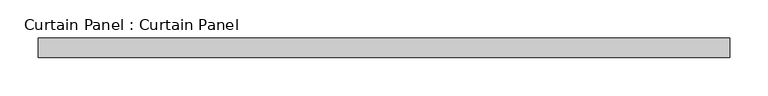
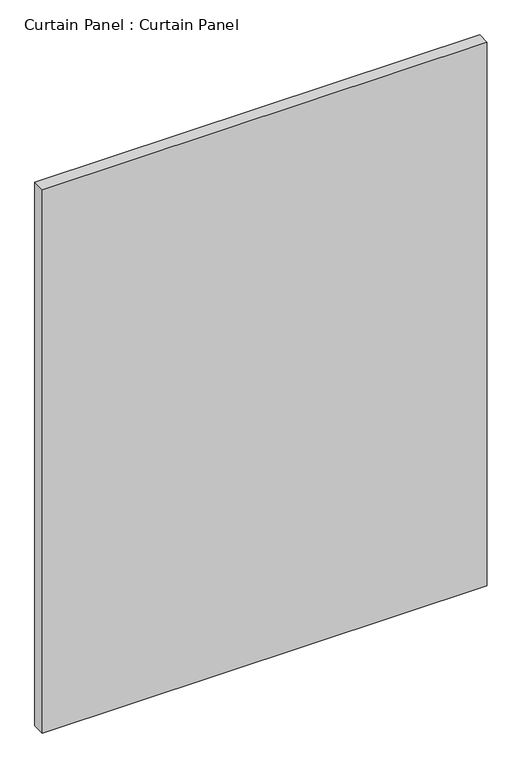
"""IFC4 building model written with IfcOpenShell, lengths in millimetres: plate geometry, Curtain Panel : Curtain Panel."""

from ifc_helpers import new_model, si_unit, frame, origin, place, context, project, spatial, polyline, outline, extrude, source, transform, mapped, element, save


def curtain_panel_curtain_panel_ed79350a(model_context):
    return source(origin(), model_context, "Body", "SweptSolid", [
        extrude(outline(polyline([(-23405.0276264, 9468.7682302), (-24305.5846264, 9468.7682302), (-24305.5846264, 9494.1682302), (-23405.0276264, 9494.1682302), (-23405.0276264, 9468.7682302)])), frame((0.0, 0.0, 1247.4552347), z_axis=(0.0, 0.0, 1.0), x_axis=(1.0, 0.0, 0.0)), (0.0, 0.0, 1.0), 1162.3588569),
    ])


if __name__ == "__main__":
    model = new_model("IFC4")
    model_context = context("Model", 3, world=origin())
    ifc_project = project(units=[si_unit("LENGTHUNIT", "METRE", prefix="MILLI")], contexts=[model_context])
    site = spatial("IfcSite", under=ifc_project)
    building = spatial("IfcBuilding", under=site)
    placement = place(None, origin())
    curtain_panel_curtain_panel_shape = curtain_panel_curtain_panel_ed79350a(model_context)
    element("IfcPlate", 1, ObjectType="Curtain Panel : Curtain Panel", at=placement, inside=building, context=model_context, shape_type="MappedRepresentation", body=[
        mapped(curtain_panel_curtain_panel_shape, transform((0.0, 0.0, 0.0), x_axis=(1.0, 0.0, 0.0), y_axis=(0.0, 1.0, 0.0), z_axis=(0.0, 0.0, 1.0))),
    ])
    save(model, "model.ifc")
